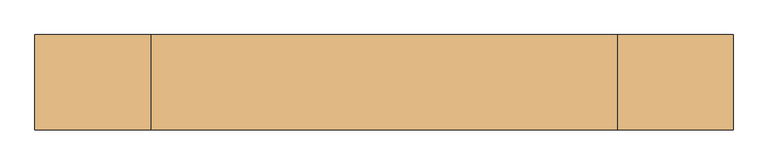
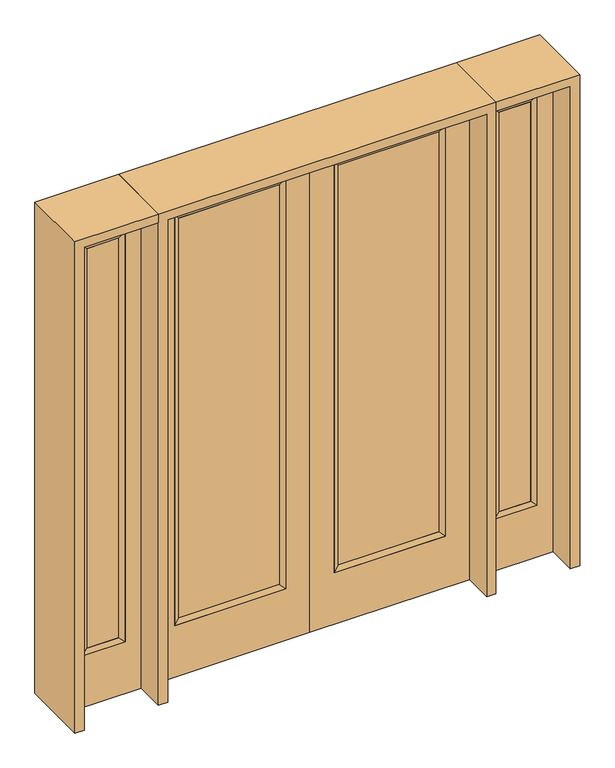
"""IFC4 building model written with IfcOpenShell, lengths in millimetres: door geometry."""

from ifc_helpers import new_model, si_unit, frame, origin, place, context, project, spatial, polyline, outline, extrude, faceted_brep, source, transform, mapped, element, save


def door_97b3d30c(model_context):
    return source(origin(), model_context, "Body", "SolidModel", [
        extrude(outline(polyline([(140.8176, -12.7039749), (140.8176, 14.2875), (621.1824, 14.2875), (621.1824, -12.7039749), (140.8176, -12.7039749)])), frame((0.0, 0.0, 285.75), z_axis=(0.0, 0.0, 1.0), x_axis=(1.0, 0.0, 0.0)), (0.0, 0.0, 1.0), 2019.3),
        faceted_brep([(140.8176, 14.2875, 2305.05), (140.8176, 14.2875, 285.75), (115.4176, 22.225, 260.35), (115.4176, 22.225, 2330.45), (115.4176, -22.225, 260.35), (115.4176, -22.225, 2330.45), (621.1824, 14.2875, 285.75), (646.5824, 22.225, 260.35), (140.8176, -12.7039749, 2305.05), (140.8176, -12.7039749, 285.75), (621.1824, -12.7039749, 285.75), (646.5824, -22.225, 260.35), (621.1824, 14.2875, 2305.05), (646.5824, 22.225, 2330.45), (621.1824, -12.7039749, 2305.05), (646.5824, -22.225, 2330.45)], [[[0, 1, 2, 3]], [[3, 2, 4, 5]], [[1, 6, 7, 2]], [[8, 9, 1, 0]], [[9, 10, 6, 1]], [[5, 4, 9, 8]], [[4, 11, 10, 9]], [[2, 7, 11, 4]], [[6, 12, 13, 7]], [[10, 14, 12, 6]], [[11, 15, 14, 10]], [[7, 13, 15, 11]], [[12, 0, 3, 13]], [[14, 8, 0, 12]], [[15, 5, 8, 14]], [[13, 3, 5, 15]]]),
        extrude(outline(polyline([(0.0, 762.0), (2438.4, 762.0), (2438.4, 0.0), (0.0, 0.0), (0.0, 762.0)]), holes=[polyline([(260.35, 646.5824), (260.35, 115.4176), (2330.45, 115.4176), (2330.45, 646.5824), (260.35, 646.5824)])]), frame((0.0, -22.225, 0.0), z_axis=(0.0, 1.0, 0.0), x_axis=(0.0, 0.0, 1.0)), (0.0, 0.0, 1.0), 44.45),
        extrude(outline(polyline([(-140.8176, -12.7039749), (-621.1824, -12.7039749), (-621.1824, 14.2875), (-140.8176, 14.2875), (-140.8176, -12.7039749)])), frame((0.0, 0.0, 285.75), z_axis=(0.0, 0.0, 1.0), x_axis=(1.0, 0.0, 0.0)), (0.0, 0.0, 1.0), 2019.3),
        faceted_brep([(-140.8176, 14.2875, 2305.05), (-115.4176, 22.225, 2330.45), (-115.4176, 22.225, 260.35), (-140.8176, 14.2875, 285.75), (-115.4176, -22.225, 2330.45), (-115.4176, -22.225, 260.35), (-646.5824, 22.225, 260.35), (-621.1824, 14.2875, 285.75), (-140.8176, -12.7039749, 2305.05), (-140.8176, -12.7039749, 285.75), (-621.1824, -12.7039749, 285.75), (-646.5824, -22.225, 260.35), (-646.5824, 22.225, 2330.45), (-621.1824, 14.2875, 2305.05), (-621.1824, -12.7039749, 2305.05), (-646.5824, -22.225, 2330.45)], [[[0, 1, 2, 3]], [[1, 4, 5, 2]], [[3, 2, 6, 7]], [[8, 0, 3, 9]], [[9, 3, 7, 10]], [[4, 8, 9, 5]], [[5, 9, 10, 11]], [[2, 5, 11, 6]], [[7, 6, 12, 13]], [[10, 7, 13, 14]], [[11, 10, 14, 15]], [[6, 11, 15, 12]], [[13, 12, 1, 0]], [[14, 13, 0, 8]], [[15, 14, 8, 4]], [[12, 15, 4, 1]]]),
        extrude(outline(polyline([(0.0, -762.0), (0.0, 0.0), (2438.4, 0.0), (2438.4, -762.0), (0.0, -762.0)]), holes=[polyline([(260.35, -646.5824), (2330.45, -646.5824), (2330.45, -115.4176), (260.35, -115.4176), (260.35, -646.5824)])]), frame((0.0, -22.225, 0.0), z_axis=(0.0, 1.0, 0.0), x_axis=(0.0, 0.0, 1.0)), (0.0, 0.0, 1.0), 44.45),
        faceted_brep([(882.65, 20.6375, 2330.45), (882.65, 20.6375, 260.35), (882.65, -20.6375, 260.35), (882.65, -20.6375, 2330.45), (908.05, -12.7, 285.75), (908.05, -12.7, 2305.05), (1085.85, 20.6375, 260.35), (1085.85, -20.6375, 260.35), (908.05, 12.7, 2305.05), (908.05, 12.7, 285.75), (1060.45, 12.7, 285.75), (1060.45, -12.7, 285.75), (1085.85, 20.6375, 2330.45), (1085.85, -20.6375, 2330.45), (1060.45, 12.7, 2305.05), (1060.45, -12.7, 2305.05)], [[[0, 1, 2, 3]], [[3, 2, 4, 5]], [[1, 6, 7, 2]], [[8, 9, 1, 0]], [[9, 10, 6, 1]], [[5, 4, 9, 8]], [[4, 11, 10, 9]], [[2, 7, 11, 4]], [[6, 12, 13, 7]], [[10, 14, 12, 6]], [[11, 15, 14, 10]], [[7, 13, 15, 11]], [[12, 0, 3, 13]], [[14, 8, 0, 12]], [[15, 5, 8, 14]], [[13, 3, 5, 15]]]),
        extrude(outline(polyline([(0.0, 1162.05), (2438.4, 1162.05), (2438.4, 806.45), (0.0, 806.45), (0.0, 1162.05)]), holes=[polyline([(2330.45, 882.65), (2330.45, 1085.85), (260.35, 1085.85), (260.35, 882.65), (2330.45, 882.65)])]), frame((0.0, -20.6375, 0.0), z_axis=(0.0, 1.0, 0.0), x_axis=(0.0, 0.0, 1.0)), (0.0, 0.0, 1.0), 41.275),
        extrude(outline(polyline([(908.05, -12.7), (908.05, 12.7), (1060.45, 12.7), (1060.45, -12.7), (908.05, -12.7)])), frame((0.0, 0.0, 285.75), z_axis=(0.0, 0.0, 1.0), x_axis=(1.0, 0.0, 0.0)), (0.0, 0.0, 1.0), 2019.3),
        faceted_brep([(-882.65, 20.6375, 2330.45), (-882.65, -20.6375, 2330.45), (-882.65, -20.6375, 260.35), (-882.65, 20.6375, 260.35), (-908.05, -12.7, 2305.05), (-908.05, -12.7, 285.75), (-1085.85, -20.6375, 260.35), (-1085.85, 20.6375, 260.35), (-908.05, 12.7, 2305.05), (-908.05, 12.7, 285.75), (-1060.45, 12.7, 285.75), (-1060.45, -12.7, 285.75), (-1085.85, -20.6375, 2330.45), (-1085.85, 20.6375, 2330.45), (-1060.45, 12.7, 2305.05), (-1060.45, -12.7, 2305.05)], [[[0, 1, 2, 3]], [[1, 4, 5, 2]], [[3, 2, 6, 7]], [[8, 0, 3, 9]], [[9, 3, 7, 10]], [[4, 8, 9, 5]], [[5, 9, 10, 11]], [[2, 5, 11, 6]], [[7, 6, 12, 13]], [[10, 7, 13, 14]], [[11, 10, 14, 15]], [[6, 11, 15, 12]], [[13, 12, 1, 0]], [[14, 13, 0, 8]], [[15, 14, 8, 4]], [[12, 15, 4, 1]]]),
        extrude(outline(polyline([(0.0, -1162.05), (0.0, -806.45), (2438.4, -806.45), (2438.4, -1162.05), (0.0, -1162.05)]), holes=[polyline([(2330.45, -882.65), (260.35, -882.65), (260.35, -1085.85), (2330.45, -1085.85), (2330.45, -882.65)])]), frame((0.0, -20.6375, 0.0), z_axis=(0.0, 1.0, 0.0), x_axis=(0.0, 0.0, 1.0)), (0.0, 0.0, 1.0), 41.275),
        extrude(outline(polyline([(-908.05, -12.7), (-1060.45, -12.7), (-1060.45, 12.7), (-908.05, 12.7), (-908.05, -12.7)])), frame((0.0, 0.0, 285.75), z_axis=(0.0, 0.0, 1.0), x_axis=(1.0, 0.0, 0.0)), (0.0, 0.0, 1.0), 2019.3),
        extrude(outline(polyline([(2438.4, -806.45), (2482.85, -806.45), (2482.85, -1206.5), (0.0, -1206.5), (0.0, -1162.05), (2438.4, -1162.05), (2438.4, -806.45)])), frame((0.0, -165.1, 0.0), z_axis=(0.0, 1.0, 0.0), x_axis=(0.0, 0.0, 1.0)), (0.0, 0.0, 1.0), 330.2),
        extrude(outline(polyline([(2482.85, -806.45), (0.0, -806.45), (0.0, -762.0), (2438.4, -762.0), (2438.4, 762.0), (0.0, 762.0), (0.0, 806.45), (2482.85, 806.45), (2482.85, -806.45)])), frame((0.0, -165.1, 0.0), z_axis=(0.0, 1.0, 0.0), x_axis=(0.0, 0.0, 1.0)), (0.0, 0.0, 1.0), 330.2),
        extrude(outline(polyline([(0.0, 1162.05), (0.0, 1206.5), (2482.85, 1206.5), (2482.85, 806.45), (2438.4, 806.45), (2438.4, 1162.05), (0.0, 1162.05)])), frame((0.0, -165.1, 0.0), z_axis=(0.0, 1.0, 0.0), x_axis=(0.0, 0.0, 1.0)), (0.0, 0.0, 1.0), 330.2),
    ])


if __name__ == "__main__":
    model = new_model("IFC4")
    model_context = context("Model", 3, world=origin())
    ifc_project = project(units=[si_unit("LENGTHUNIT", "METRE", prefix="MILLI")], contexts=[model_context])
    site = spatial("IfcSite", under=ifc_project)
    building = spatial("IfcBuilding", under=site)
    placement = place(None, origin())
    door_shape = door_97b3d30c(model_context)
    element("IfcDoor", 1, at=placement, inside=building, context=model_context, shape_type="MappedRepresentation", body=[
        mapped(door_shape, transform((0.0, 0.0, 0.0), x_axis=(1.0, 0.0, 0.0), y_axis=(0.0, 1.0, 0.0), z_axis=(0.0, 0.0, 1.0))),
    ])
    save(model, "model.ifc")
